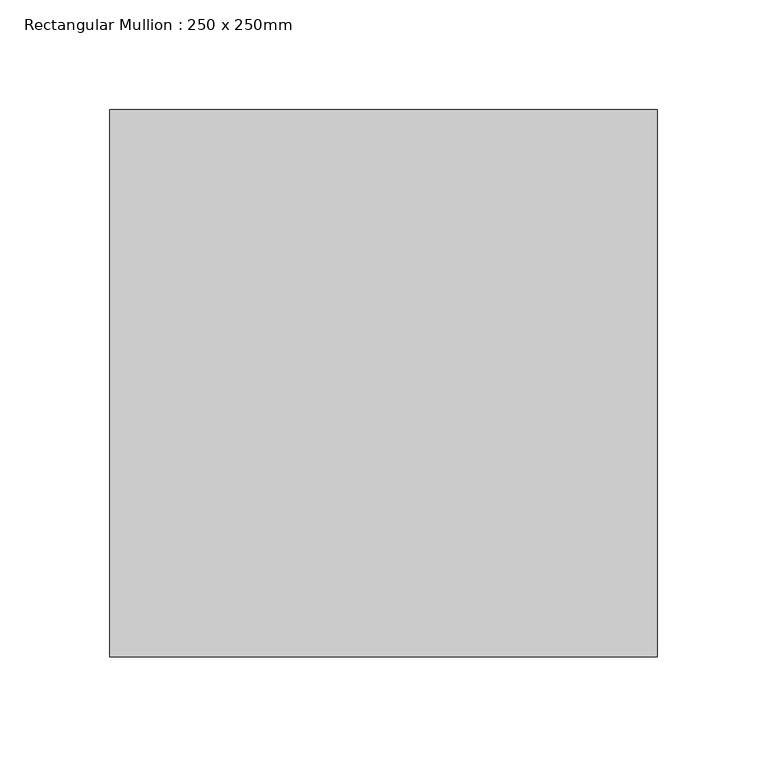
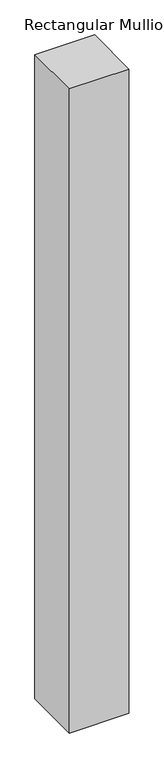
"""IFC4 building model written with IfcOpenShell, lengths in millimetres: member geometry, Rectangular Mullion : 250 x 250mm."""

from ifc_helpers import new_model, si_unit, frame, origin, place, context, project, spatial, polyline, outline, extrude, source, transform, mapped, element, save


def rectangular_mullion_250_x_250mm_b1bd0655(model_context):
    return source(origin(), model_context, "Body", "SweptSolid", [
        extrude(outline(polyline([(0.0, 125.0), (0.0, -125.0), (-250.0, -125.0), (-250.0, 125.0), (0.0, 125.0)])), frame((0.0, 0.0, -2857.0368783), z_axis=(0.0, 0.0, 1.0), x_axis=(1.0, 0.0, 0.0)), (0.0, 0.0, 1.0), 2857.0368783),
    ])


if __name__ == "__main__":
    model = new_model("IFC4")
    model_context = context("Model", 3, world=origin())
    ifc_project = project(units=[si_unit("LENGTHUNIT", "METRE", prefix="MILLI")], contexts=[model_context])
    site = spatial("IfcSite", under=ifc_project)
    building = spatial("IfcBuilding", under=site)
    placement = place(None, origin())
    rectangular_mullion_250_x_250mm_shape = rectangular_mullion_250_x_250mm_b1bd0655(model_context)
    element("IfcMember", 1, ObjectType="Rectangular Mullion : 250 x 250mm", at=placement, inside=building, context=model_context, shape_type="MappedRepresentation", body=[
        mapped(rectangular_mullion_250_x_250mm_shape, transform((0.0, 0.0, 0.0), x_axis=(1.0, 0.0, 0.0), y_axis=(0.0, 1.0, 0.0), z_axis=(0.0, 0.0, 1.0))),
    ])
    save(model, "model.ifc")
